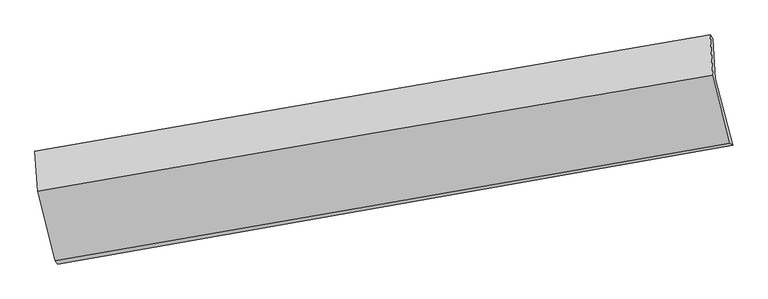
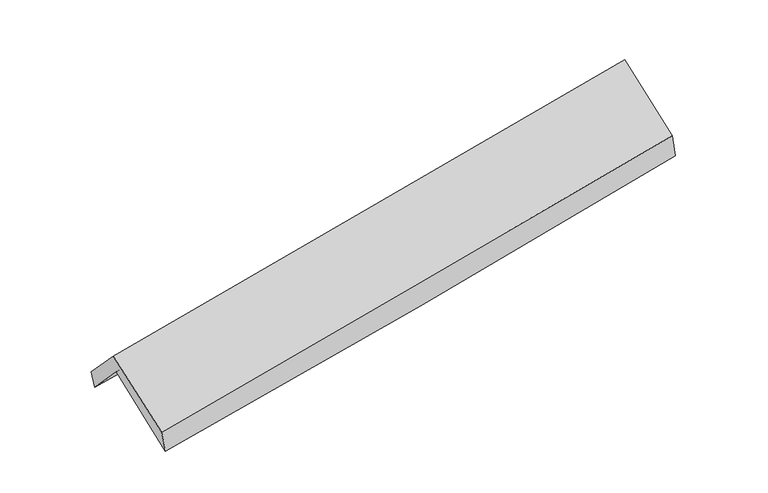
"""IFC4 building model written with IfcOpenShell, lengths in millimetres: proxy geometry."""

from ifc_helpers import new_model, si_unit, frame, origin, place, context, project, spatial, source, transform, mapped, element, save
from ifc_brep_helpers import plane_surface, spline_curve, spline_surface, advanced_brep


def generic_models_be30dba7(model_context):
    return source(origin(), model_context, "Body", "AdvancedBrep", [
        advanced_brep(
        [(-2253.2564759, -2482.0014528, 1479.4678494), (-2377.7971699, -1997.642116, 1922.5441733), (2311.4695555, -1197.0189483, 2360.9882041), (2430.3747886, -1658.8992758, 1919.198603), (-2396.9247806, -1718.3124799, 1625.3637135), (2293.3004112, -920.2638793, 2058.1837209), (-2412.7590188, -1697.9979838, 1755.2413478), (2274.4306179, -892.6354096, 2210.321), (-2393.5776078, -1978.1132895, 2053.2576863), (2293.6209705, -1172.8812955, 2508.4762636), (-2272.1844059, -2460.7966197, 1640.2076514), (2412.0349383, -1645.4096324, 2091.0640155)],
        [
            (0, 1),
            (1, 2, spline_curve(3, [(-2377.7971699, -1997.642116, 1922.5441733), (-1595.536710443, -1859.719523924, 1979.973194469), (-813.633923941, -1724.039576325, 2045.224744953), (749.454983134, -1457.165194442, 2191.37278174), (1530.641105369, -1325.970752988, 2272.269241263), (2311.4695555, -1197.0189483, 2360.9882041)], [4, 2, 4], [0.0, 7.835770062144217, 15.671526901935385])),
            (2, 3),
            (3, 0, spline_curve(3, [(2430.3747886, -1658.8992758, 1919.198603), (1651.202107806, -1796.995600174, 1832.252648094), (871.313492054, -1934.635553099, 1752.135466406), (-689.896927076, -2209.00294699, 1605.558525524), (-1471.218732797, -2345.73038639, 1539.098789344), (-2253.2564759, -2482.0014528, 1479.4678494)], [4, 2, 4], [0.0, 7.835756839791168, 15.671526901935385])),
            (1, 4),
            (4, 5, spline_curve(3, [(-2396.9247806, -1718.3124799, 1625.3637135), (-1613.867655121, -1586.239054311, 1684.834221192), (-831.486663824, -1453.69823506, 1750.63784492), (731.921731348, -1187.682033183, 1894.911201954), (1512.949137135, -1054.206652443, 1973.380914352), (2293.3004112, -920.2638793, 2058.1837209)], [4, 2, 4], [0.0, 7.837071235469622, 15.67412924639055])),
            (5, 2),
            (4, 6),
            (6, 7, spline_curve(3, [(-2412.7590188, -1697.9979838, 1755.2413478), (-1631.740237707, -1562.755302565, 1831.064319071), (-850.631380985, -1428.020357867, 1906.899141152), (711.765164762, -1159.566168232, 2058.592358462), (1493.052853811, -1025.846921542, 2134.450754001), (2274.4306179, -892.6354096, 2210.321)], [4, 2, 4], [0.0, 7.837065767271269, 15.67411831000307])),
            (7, 5),
            (6, 8),
            (8, 9, spline_curve(3, [(-2393.5776078, -1978.1132895, 2053.2576863), (-1612.716474262, -1840.568402847, 2126.631327543), (-831.685696416, -1704.693237973, 2201.253062375), (730.713830191, -1436.28257909, 2352.992592599), (1512.082578265, -1303.747079113, 2430.110383273), (2293.6209705, -1172.8812955, 2508.4762636)], [4, 2, 4], [0.0, 7.837285216327838, 15.674557207745902])),
            (9, 7),
            (8, 10),
            (10, 11, spline_curve(3, [(-2272.1844059, -2460.7966197, 1640.2076514), (-1491.354408386, -2325.086277004, 1714.213852338), (-710.587468314, -2189.282132616, 1788.788348663), (850.818979327, -1917.486470103, 1939.073805138), (1631.458487438, -1781.4949519, 2014.784763709), (2412.0349383, -1645.4096324, 2091.0640155)], [4, 2, 4], [0.0, 7.835955370637265, 15.671897518608784])),
            (11, 9),
            (10, 0),
            (3, 11),
        ],
        [
            spline_surface(3, 3, [[(-2253.2564759, -2482.0014528, 1479.4678494), (-1471.218732713, -2345.730386448, 1539.098789392), (-689.896927045, -2209.002946985, 1605.558525501), (871.313492023, -1934.635553104, 1752.135466429), (1651.202107887, -1796.995600249, 1832.252648156), (2430.3747886, -1658.8992758, 1919.198603)], [(-2294.770040561, -2320.548340505, 1627.159957378), (-1512.658058596, -2183.7267656, 1686.056924427), (-731.142592726, -2047.348490073, 1752.113932013), (830.693989065, -1775.47876694, 1898.547904855), (1611.015107047, -1639.98731786, 1978.924845902), (2390.739710899, -1504.939166641, 2066.461803367)], [(-2336.283605239, -2159.095228295, 1774.852065322), (-1554.097384496, -2021.723144835, 1833.015059428), (-772.388258341, -1885.694033113, 1898.669338499), (790.074486173, -1616.321980729, 2044.960343256), (1570.828106209, -1482.979035449, 2125.597043646), (2351.104633201, -1350.979057459, 2213.725003733)], [(-2377.7971699, -1997.642116, 1922.5441733), (-1595.536710379, -1859.719523987, 1979.973194462), (-813.633924022, -1724.039576202, 2045.22474501), (749.454983215, -1457.165194565, 2191.372781682), (1530.64110537, -1325.97075306, 2272.269241391), (2311.4695555, -1197.0189483, 2360.9882041)]], [4, 4], [4, 2, 4], [0.0, 2.1756862530730166], [0.0, 7.835770062144217, 15.671526901935385]),
            spline_surface(3, 3, [[(-2377.7971699, -1997.642116, 1922.5441733), (-1595.536710379, -1859.719523987, 1979.973194462), (-813.633924022, -1724.039576202, 2045.22474501), (749.454983215, -1457.165194565, 2191.372781682), (1530.64110537, -1325.97075306, 2272.269241391), (2311.4695555, -1197.0189483, 2360.9882041)], [(-2384.173040153, -1904.532237313, 1823.484020031), (-1601.647025281, -1768.559367444, 1881.593536727), (-819.584837245, -1633.925795779, 1947.029111618), (743.610565912, -1367.337474094, 2092.552255123), (1524.743782667, -1235.38271947, 2172.639798998), (2305.413174083, -1104.767258614, 2260.053376358)], [(-2390.548910347, -1811.422358587, 1724.423866769), (-1607.757340122, -1677.399210861, 1783.213878998), (-825.535750514, -1543.812015435, 1848.833478244), (737.766148564, -1277.509753701, 1993.731728582), (1518.846459916, -1144.794685937, 2073.01035663), (2299.356792617, -1012.515568986, 2159.118548642)], [(-2396.9247806, -1718.3124799, 1625.3637135), (-1613.867655024, -1586.239054319, 1684.834221262), (-831.486663737, -1453.698235012, 1750.637844851), (731.921731261, -1187.68203323, 1894.911202023), (1512.949137214, -1054.206652346, 1973.380914237), (2293.3004112, -920.2638793, 2058.1837209)]], [4, 4], [4, 2, 4], [0.0, 1.3143858718071848], [0.0, 7.837071235469622, 15.67412924639055]),
            spline_surface(3, 3, [[(-2396.9247806, -1718.3124799, 1625.3637135), (-1613.867655024, -1586.239054319, 1684.834221262), (-831.486663737, -1453.698235012, 1750.637844851), (731.921731261, -1187.68203323, 1894.911202023), (1512.949137214, -1054.206652346, 1973.380914237), (2293.3004112, -920.2638793, 2058.1837209)], [(-2402.202859986, -1711.540981195, 1668.656258285), (-1619.825182545, -1578.411137057, 1733.577587204), (-837.868236159, -1445.138942642, 1802.724943581), (725.202875793, -1178.310078223, 1949.471587506), (1506.317042737, -1044.753408714, 2027.070860796), (2287.010480088, -911.054389394, 2108.896147277)], [(-2407.480939414, -1704.769482505, 1711.948803015), (-1625.782710109, -1570.58321981, 1782.320953092), (-844.249808619, -1436.579650267, 1854.812042361), (718.484020286, -1168.938123211, 2004.031973039), (1499.684948296, -1035.3001651, 2080.760807324), (2280.720549012, -901.844899506, 2159.608573623)], [(-2412.7590188, -1697.9979838, 1755.2413478), (-1631.74023763, -1562.755302548, 1831.064319034), (-850.63138104, -1428.020357896, 1906.899141091), (711.765164818, -1159.566168204, 2058.592358522), (1493.05285382, -1025.846921467, 2134.450753883), (2274.4306179, -892.6354096, 2210.321)]], [4, 4], [4, 2, 4], [0.0, 0.5360974760309636], [0.0, 7.837065767271269, 15.67411831000307]),
            spline_surface(3, 3, [[(-2412.7590188, -1697.9979838, 1755.2413478), (-1631.74023763, -1562.755302548, 1831.064319034), (-850.63138104, -1428.020357896, 1906.899141091), (711.765164818, -1159.566168204, 2058.592358522), (1493.05285382, -1025.846921467, 2134.450753883), (2274.4306179, -892.6354096, 2210.321)], [(-2406.365215158, -1791.369752367, 1854.580127269), (-1625.398983239, -1655.359669303, 1929.586655154), (-844.316152871, -1520.244651305, 2005.01711492), (718.081386602, -1251.804971841, 2156.725769869), (1499.39609535, -1118.480307371, 2233.003963648), (2280.827402117, -986.050704929, 2309.706087849)], [(-2399.971411442, -1884.741520933, 1953.918906831), (-1619.057728773, -1747.964036057, 2028.108991369), (-838.000924633, -1612.468944627, 2103.135088667), (724.397608454, -1344.04377539, 2254.859181133), (1505.739336831, -1211.113693188, 2331.557173465), (2287.224186283, -1079.466000171, 2409.091175751)], [(-2393.5776078, -1978.1132895, 2053.2576863), (-1612.716474382, -1840.568402812, 2126.631327489), (-831.685696463, -1704.693238036, 2201.253062495), (730.713830239, -1436.282579027, 2352.992592479), (1512.082578361, -1303.747079091, 2430.110383229), (2293.6209705, -1172.8812955, 2508.4762636)]], [4, 4], [4, 2, 4], [0.0, 1.3269234615582217], [0.0, 7.837285216327838, 15.674557207745902]),
            spline_surface(3, 3, [[(-2393.5776078, -1978.1132895, 2053.2576863), (-1612.716474382, -1840.568402812, 2126.631327489), (-831.685696463, -1704.693238036, 2201.253062495), (730.713830239, -1436.282579027, 2352.992592479), (1512.082578361, -1303.747079091, 2430.110383229), (2293.6209705, -1172.8812955, 2508.4762636)], [(-2353.113207144, -2139.007732903, 1915.574341353), (-1572.262452385, -2002.074360896, 1989.158835771), (-791.319620439, -1866.222869579, 2063.764824508), (770.748879975, -1596.683875996, 2215.019663364), (1551.874548043, -1462.99637001, 2291.668510021), (2333.092293077, -1330.390741132, 2369.338847565)], [(-2312.648806556, -2299.902176297, 1777.890996347), (-1531.808430457, -2163.580318971, 1851.686343995), (-750.953544437, -2027.752501182, 1926.276586587), (810.783929689, -1757.085173025, 2077.046734317), (1591.666517794, -1622.245660934, 2153.226636818), (2372.563615723, -1487.900186768, 2230.201431535)], [(-2272.1844059, -2460.7966197, 1640.2076514), (-1491.35440846, -2325.086277055, 1714.213852276), (-710.587468413, -2189.282132725, 1788.7883486), (850.818979425, -1917.486469994, 1939.073805202), (1631.458487476, -1781.494951853, 2014.78476361), (2412.0349383, -1645.4096324, 2091.0640155)]], [4, 4], [4, 2, 4], [0.0, 2.122328435762817], [0.0, 7.835955370637265, 15.671897518608784]),
            spline_surface(3, 3, [[(-2272.1844059, -2460.7966197, 1640.2076514), (-1491.35440846, -2325.086277055, 1714.213852276), (-710.587468413, -2189.282132725, 1788.7883486), (850.818979425, -1917.486469994, 1939.073805202), (1631.458487476, -1781.494951853, 2014.78476361), (2412.0349383, -1645.4096324, 2091.0640155)], [(-2265.875095898, -2467.864897416, 1586.627717385), (-1484.642516542, -2331.967646869, 1655.842164634), (-703.690621281, -2195.855737478, 1727.711740909), (857.650483633, -1923.20283103, 1876.76102562), (1638.039694282, -1786.661834642, 1953.940725142), (2418.148221736, -1649.906180191, 2033.775544683)], [(-2259.565785902, -2474.933175084, 1533.047783415), (-1477.930624631, -2338.849016634, 1597.470477035), (-696.793774176, -2202.429342232, 1666.635133191), (864.481987815, -1928.919192067, 1814.448246011), (1644.620901081, -1791.82871746, 1893.096686624), (2424.261505164, -1654.402728009, 1976.487073817)], [(-2253.2564759, -2482.0014528, 1479.4678494), (-1471.218732713, -2345.730386448, 1539.098789392), (-689.896927045, -2209.002946985, 1605.558525501), (871.313492023, -1934.635553104, 1752.135466429), (1651.202107887, -1796.995600249, 1832.252648156), (2430.3747886, -1658.8992758, 1919.198603)]], [4, 4], [4, 2, 4], [0.0, 0.6139644199318065], [0.0, 7.834467953617151, 15.668922687078474]),
            plane_surface(frame((2335.8718803, -1247.8514068, 2191.3719678), z_axis=(0.9820149766298729, 0.16495847251586454, 0.09184382407033752), x_axis=(0.1845856879208845, -0.7365851326404833, -0.6506692448454711))),
            plane_surface(frame((-2351.0832431, -2055.8106569, 1746.0137369), z_axis=(-0.9815441587282581, -0.1667743306477874, -0.09358091206768053), x_axis=(-0.1159561176561942, 0.12990486156909295, 0.9847227557636808))),
        ],
        [
            (0, [[1, 2, 3, 4]]),
            (1, [[5, 6, 7, -2]]),
            (2, [[8, 9, 10, -6]]),
            (3, [[11, 12, 13, -9]]),
            (4, [[14, 15, 16, -12]]),
            (5, [[17, -4, 18, -15]]),
            (6, [[-16, -18, -3, -7, -10, -13]]),
            (7, [[-17, -14, -11, -8, -5, -1]]),
        ],
    ),
    ])


if __name__ == "__main__":
    model = new_model("IFC4")
    model_context = context("Model", 3, world=origin())
    ifc_project = project(units=[si_unit("LENGTHUNIT", "METRE", prefix="MILLI")], contexts=[model_context])
    site = spatial("IfcSite", under=ifc_project)
    building = spatial("IfcBuilding", under=site)
    placement = place(None, origin())
    generic_models_shape = generic_models_be30dba7(model_context)
    element("IfcBuildingElementProxy", 1, Name="Generic Models", at=placement, inside=building, context=model_context, shape_type="MappedRepresentation", body=[
        mapped(generic_models_shape, transform((0.0, 0.0, 0.0), x_axis=(1.0, 0.0, 0.0), y_axis=(0.0, 1.0, 0.0), z_axis=(0.0, 0.0, 1.0))),
    ])
    save(model, "model.ifc")
